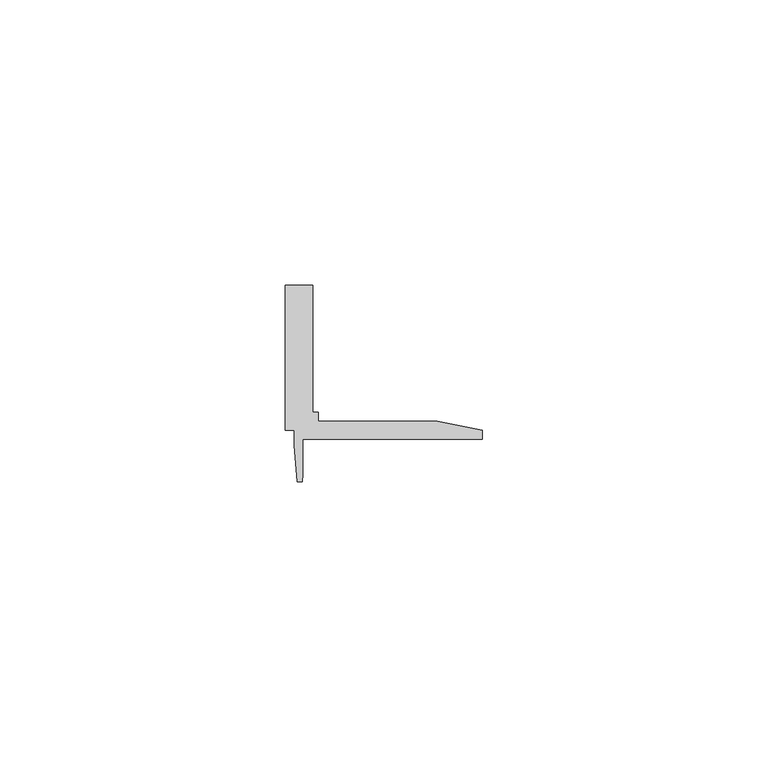
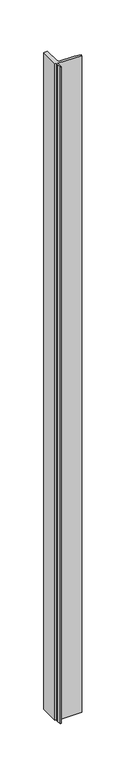
"""IFC4 building model written with IfcOpenShell, lengths in millimetres: proxy geometry."""

from ifc_helpers import new_model, si_unit, frame, origin, place, context, project, spatial, polyline, outline, extrude, source, transform, mapped, element, save


def generic_models_f376ab7c(model_context):
    return source(origin(), model_context, "Body", "SweptSolid", [
        extrude(outline(polyline([(37216.3472328, -23745.4427965), (37216.3472328, -23720.0427965), (37221.1214168, -23720.0427965), (37221.1214168, -23742.2677965), (37222.1343688, -23742.2677965), (37222.1343688, -23743.8436125), (37242.9268088, -23743.8436125), (37250.8648168, -23745.4316205), (37250.8648168, -23747.0186125), (37219.3901528, -23747.0186125), (37219.3901528, -23753.1643965), (37219.2631528, -23754.4384605), (37218.4259688, -23754.4384605), (37217.9179688, -23748.0884605), (37217.9179688, -23745.4427965), (37216.3472328, -23745.4427965)])), frame((0.0, 0.0, 1524.0), z_axis=(0.0, 0.0, 1.0), x_axis=(1.0, 0.0, 0.0)), (0.0, 0.0, 1.0), 914.4),
    ])


if __name__ == "__main__":
    model = new_model("IFC4")
    model_context = context("Model", 3, world=origin())
    ifc_project = project(units=[si_unit("LENGTHUNIT", "METRE", prefix="MILLI")], contexts=[model_context])
    site = spatial("IfcSite", under=ifc_project)
    building = spatial("IfcBuilding", under=site)
    placement = place(None, origin())
    generic_models_shape = generic_models_f376ab7c(model_context)
    element("IfcBuildingElementProxy", 1, Name="Generic Models", at=placement, inside=building, context=model_context, shape_type="MappedRepresentation", body=[
        mapped(generic_models_shape, transform((0.0, 0.0, 0.0), x_axis=(1.0, 0.0, 0.0), y_axis=(0.0, 1.0, 0.0), z_axis=(0.0, 0.0, 1.0))),
    ])
    save(model, "model.ifc")
